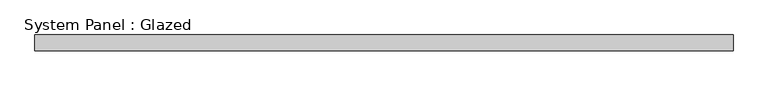
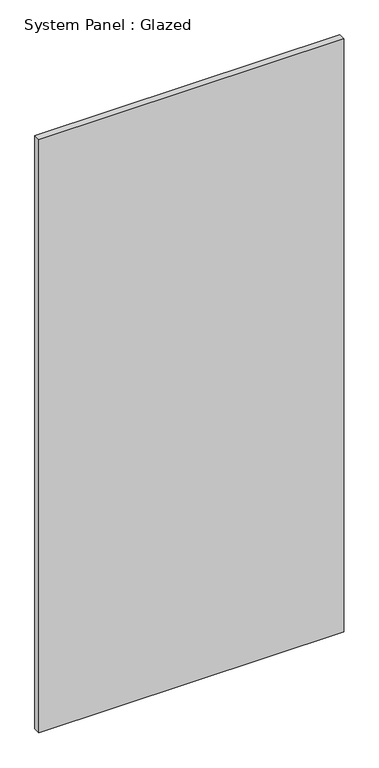
"""IFC4 building model written with IfcOpenShell, lengths in millimetres: plate geometry, System Panel : Glazed."""

from ifc_helpers import new_model, si_unit, origin, origin_with_axes, place, context, project, spatial, polyline, outline, extrude, source, transform, mapped, element, save


def system_panel_glazed_e2c70e3c(model_context):
    return source(origin(), model_context, "Body", "SweptSolid", [
        extrude(outline(polyline([(561.975, -44.45), (-561.975, -44.45), (-561.975, -19.05), (561.975, -19.05), (561.975, -44.45)])), origin_with_axes(), (0.0, 0.0, 1.0), 2311.4),
    ])


if __name__ == "__main__":
    model = new_model("IFC4")
    model_context = context("Model", 3, world=origin())
    ifc_project = project(units=[si_unit("LENGTHUNIT", "METRE", prefix="MILLI")], contexts=[model_context])
    site = spatial("IfcSite", under=ifc_project)
    building = spatial("IfcBuilding", under=site)
    placement = place(None, origin())
    system_panel_glazed_shape = system_panel_glazed_e2c70e3c(model_context)
    element("IfcPlate", 1, ObjectType="System Panel : Glazed", at=placement, inside=building, context=model_context, shape_type="MappedRepresentation", body=[
        mapped(system_panel_glazed_shape, transform((0.0, 0.0, 0.0), x_axis=(1.0, 0.0, 0.0), y_axis=(0.0, 1.0, 0.0), z_axis=(0.0, 0.0, 1.0))),
    ])
    save(model, "model.ifc")
